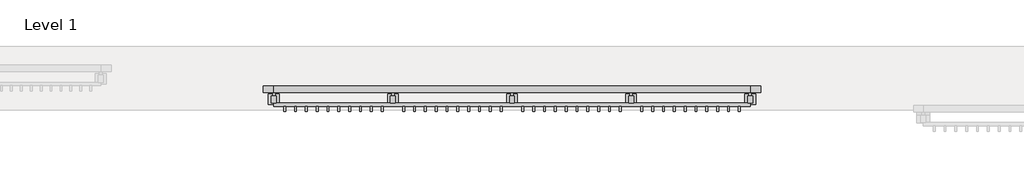
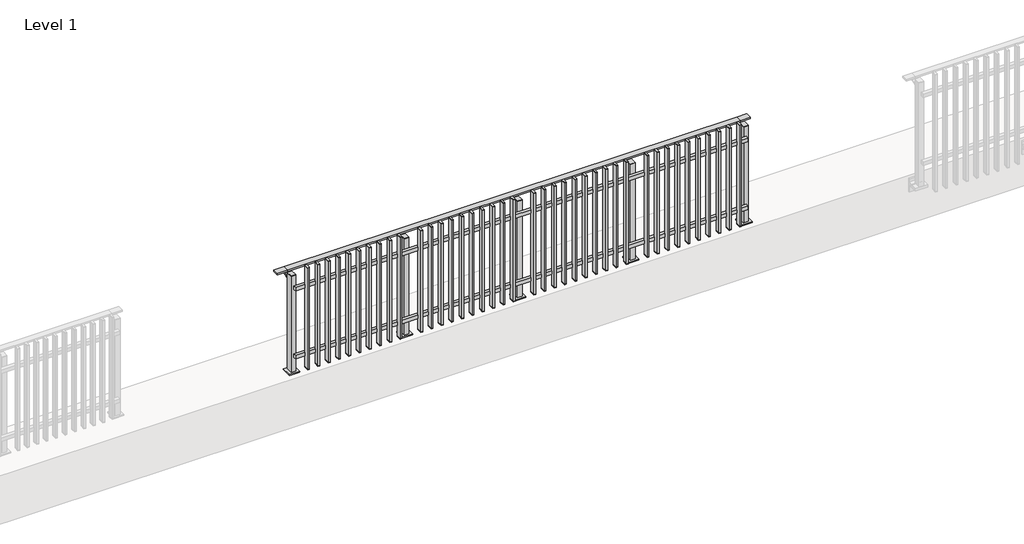
# One storey, part 9 of 17: 1 railing.
"""IFC4 building model written with IfcOpenShell, lengths in millimetres."""

from ifc_helpers import new_model, si_unit, point, frame, frame_2d, origin, origin_with_axes, place, context, project, spatial, polyline, circle_curve, trimmed, segment, composite_curve, outline, extrude, faceted_brep, element, save

model = new_model("IFC4")

# Units and contexts
model_context = context("Model", 3, world=origin())
ifc_project = project(units=[si_unit("LENGTHUNIT", "METRE", prefix="MILLI")], contexts=[model_context])

# Site, building, storey
site = spatial("IfcSite", under=ifc_project)
building = spatial("IfcBuilding", under=site)
storey = spatial("IfcBuildingStorey", under=building, Name="Level 1", Elevation=0.0)

# Railing
placement = place(None, origin())
element("IfcRailing", 1, at=placement, inside=storey, context=model_context, shape_type="SolidModel", body=[
    faceted_brep([(6000.0, 125.1846828, 985.0), (6000.0, 125.1846828, 1000.0), (10400.0, 125.1846828, 1000.0), (10400.0, 125.1846828, 985.0), (6000.0, 65.1846828, 985.0), (10400.0, 65.1846828, 985.0), (6000.0, 65.1846828, 1000.0), (10400.0, 65.1846828, 1000.0), (5900.0, 125.1846828, 1000.0), (5900.0, 125.1846828, 985.0), (5900.0, 65.1846828, 985.0), (5900.0, 65.1846828, 1000.0), (10500.0, 125.1846828, 1000.0), (10500.0, 65.1846828, 1000.0), (10500.0, 65.1846828, 985.0), (10500.0, 125.1846828, 985.0)], [[[0, 1, 2, 3]], [[4, 0, 3, 5]], [[6, 4, 5, 7]], [[1, 6, 7, 2]], [[8, 9, 10, 11]], [[9, 8, 1, 0]], [[10, 9, 0, 4]], [[11, 10, 4, 6]], [[8, 11, 6, 1]], [[12, 13, 14, 15]], [[3, 2, 12, 15]], [[5, 3, 15, 14]], [[7, 5, 14, 13]], [[2, 7, 13, 12]]]),
    extrude(outline(polyline([(6000.0, -67.3153172), (6000.0, -35.3153172), (10400.0, -35.3153172), (10400.0, -67.3153172), (6000.0, -67.3153172)])), frame((0.0, 0.0, 164.0), z_axis=(0.0, 0.0, 1.0), x_axis=(1.0, 0.0, 0.0)), (0.0, 0.0, 1.0), 36.0),
    extrude(outline(polyline([(6000.0, -67.3153172), (6000.0, -35.3153172), (10400.0, -35.3153172), (10400.0, -67.3153172), (6000.0, -67.3153172)])), frame((0.0, 0.0, 864.0), z_axis=(0.0, 0.0, 1.0), x_axis=(1.0, 0.0, 0.0)), (0.0, 0.0, 1.0), 36.0),
    extrude(outline(polyline([(10308.5, -64.3153172), (10308.5, -113.3153172), (10291.5, -113.3153172), (10291.5, -64.3153172), (10308.5, -64.3153172)])), frame((0.0, 0.0, 50.0), z_axis=(0.0, 0.0, 1.0), x_axis=(1.0, 0.0, 0.0)), (0.0, 0.0, 1.0), 5.0),
    extrude(outline(polyline([(10308.5, -64.3153172), (10308.5, -113.3153172), (10291.5, -113.3153172), (10291.5, -64.3153172), (10308.5, -64.3153172)])), frame((0.0, 0.0, 1095.0), z_axis=(0.0, 0.0, 1.0), x_axis=(1.0, 0.0, 0.0)), (0.0, 0.0, 1.0), 5.0),
    extrude(outline(polyline([(10291.5, -113.3153172), (10291.5, -64.3153172), (10308.5, -64.3153172), (10308.5, -113.3153172), (10291.5, -113.3153172)])), frame((0.0, 0.0, 55.0), z_axis=(0.0, 0.0, 1.0), x_axis=(1.0, 0.0, 0.0)), (0.0, 0.0, 1.0), 1040.0),
    extrude(outline(polyline([(10208.5, -64.3153172), (10208.5, -113.3153172), (10191.5, -113.3153172), (10191.5, -64.3153172), (10208.5, -64.3153172)])), frame((0.0, 0.0, 50.0), z_axis=(0.0, 0.0, 1.0), x_axis=(1.0, 0.0, 0.0)), (0.0, 0.0, 1.0), 5.0),
    extrude(outline(polyline([(10208.5, -64.3153172), (10208.5, -113.3153172), (10191.5, -113.3153172), (10191.5, -64.3153172), (10208.5, -64.3153172)])), frame((0.0, 0.0, 1095.0), z_axis=(0.0, 0.0, 1.0), x_axis=(1.0, 0.0, 0.0)), (0.0, 0.0, 1.0), 5.0),
    extrude(outline(polyline([(10191.5, -113.3153172), (10191.5, -64.3153172), (10208.5, -64.3153172), (10208.5, -113.3153172), (10191.5, -113.3153172)])), frame((0.0, 0.0, 55.0), z_axis=(0.0, 0.0, 1.0), x_axis=(1.0, 0.0, 0.0)), (0.0, 0.0, 1.0), 1040.0),
    extrude(outline(polyline([(10108.5, -64.3153172), (10108.5, -113.3153172), (10091.5, -113.3153172), (10091.5, -64.3153172), (10108.5, -64.3153172)])), frame((0.0, 0.0, 50.0), z_axis=(0.0, 0.0, 1.0), x_axis=(1.0, 0.0, 0.0)), (0.0, 0.0, 1.0), 5.0),
    extrude(outline(polyline([(10108.5, -64.3153172), (10108.5, -113.3153172), (10091.5, -113.3153172), (10091.5, -64.3153172), (10108.5, -64.3153172)])), frame((0.0, 0.0, 1095.0), z_axis=(0.0, 0.0, 1.0), x_axis=(1.0, 0.0, 0.0)), (0.0, 0.0, 1.0), 5.0),
    extrude(outline(polyline([(10091.5, -113.3153172), (10091.5, -64.3153172), (10108.5, -64.3153172), (10108.5, -113.3153172), (10091.5, -113.3153172)])), frame((0.0, 0.0, 55.0), z_axis=(0.0, 0.0, 1.0), x_axis=(1.0, 0.0, 0.0)), (0.0, 0.0, 1.0), 1040.0),
    extrude(outline(polyline([(10008.5, -64.3153172), (10008.5, -113.3153172), (9991.5, -113.3153172), (9991.5, -64.3153172), (10008.5, -64.3153172)])), frame((0.0, 0.0, 50.0), z_axis=(0.0, 0.0, 1.0), x_axis=(1.0, 0.0, 0.0)), (0.0, 0.0, 1.0), 5.0),
    extrude(outline(polyline([(10008.5, -64.3153172), (10008.5, -113.3153172), (9991.5, -113.3153172), (9991.5, -64.3153172), (10008.5, -64.3153172)])), frame((0.0, 0.0, 1095.0), z_axis=(0.0, 0.0, 1.0), x_axis=(1.0, 0.0, 0.0)), (0.0, 0.0, 1.0), 5.0),
    extrude(outline(polyline([(9991.5, -113.3153172), (9991.5, -64.3153172), (10008.5, -64.3153172), (10008.5, -113.3153172), (9991.5, -113.3153172)])), frame((0.0, 0.0, 55.0), z_axis=(0.0, 0.0, 1.0), x_axis=(1.0, 0.0, 0.0)), (0.0, 0.0, 1.0), 1040.0),
    extrude(outline(polyline([(9908.5, -64.3153172), (9908.5, -113.3153172), (9891.5, -113.3153172), (9891.5, -64.3153172), (9908.5, -64.3153172)])), frame((0.0, 0.0, 50.0), z_axis=(0.0, 0.0, 1.0), x_axis=(1.0, 0.0, 0.0)), (0.0, 0.0, 1.0), 5.0),
    extrude(outline(polyline([(9908.5, -64.3153172), (9908.5, -113.3153172), (9891.5, -113.3153172), (9891.5, -64.3153172), (9908.5, -64.3153172)])), frame((0.0, 0.0, 1095.0), z_axis=(0.0, 0.0, 1.0), x_axis=(1.0, 0.0, 0.0)), (0.0, 0.0, 1.0), 5.0),
    extrude(outline(polyline([(9891.5, -113.3153172), (9891.5, -64.3153172), (9908.5, -64.3153172), (9908.5, -113.3153172), (9891.5, -113.3153172)])), frame((0.0, 0.0, 55.0), z_axis=(0.0, 0.0, 1.0), x_axis=(1.0, 0.0, 0.0)), (0.0, 0.0, 1.0), 1040.0),
    extrude(outline(polyline([(9808.5, -64.3153172), (9808.5, -113.3153172), (9791.5, -113.3153172), (9791.5, -64.3153172), (9808.5, -64.3153172)])), frame((0.0, 0.0, 50.0), z_axis=(0.0, 0.0, 1.0), x_axis=(1.0, 0.0, 0.0)), (0.0, 0.0, 1.0), 5.0),
    extrude(outline(polyline([(9808.5, -64.3153172), (9808.5, -113.3153172), (9791.5, -113.3153172), (9791.5, -64.3153172), (9808.5, -64.3153172)])), frame((0.0, 0.0, 1095.0), z_axis=(0.0, 0.0, 1.0), x_axis=(1.0, 0.0, 0.0)), (0.0, 0.0, 1.0), 5.0),
    extrude(outline(polyline([(9791.5, -113.3153172), (9791.5, -64.3153172), (9808.5, -64.3153172), (9808.5, -113.3153172), (9791.5, -113.3153172)])), frame((0.0, 0.0, 55.0), z_axis=(0.0, 0.0, 1.0), x_axis=(1.0, 0.0, 0.0)), (0.0, 0.0, 1.0), 1040.0),
    extrude(outline(polyline([(9708.5, -64.3153172), (9708.5, -113.3153172), (9691.5, -113.3153172), (9691.5, -64.3153172), (9708.5, -64.3153172)])), frame((0.0, 0.0, 50.0), z_axis=(0.0, 0.0, 1.0), x_axis=(1.0, 0.0, 0.0)), (0.0, 0.0, 1.0), 5.0),
    extrude(outline(polyline([(9708.5, -64.3153172), (9708.5, -113.3153172), (9691.5, -113.3153172), (9691.5, -64.3153172), (9708.5, -64.3153172)])), frame((0.0, 0.0, 1095.0), z_axis=(0.0, 0.0, 1.0), x_axis=(1.0, 0.0, 0.0)), (0.0, 0.0, 1.0), 5.0),
    extrude(outline(polyline([(9691.5, -113.3153172), (9691.5, -64.3153172), (9708.5, -64.3153172), (9708.5, -113.3153172), (9691.5, -113.3153172)])), frame((0.0, 0.0, 55.0), z_axis=(0.0, 0.0, 1.0), x_axis=(1.0, 0.0, 0.0)), (0.0, 0.0, 1.0), 1040.0),
    extrude(outline(polyline([(9608.5, -64.3153172), (9608.5, -113.3153172), (9591.5, -113.3153172), (9591.5, -64.3153172), (9608.5, -64.3153172)])), frame((0.0, 0.0, 50.0), z_axis=(0.0, 0.0, 1.0), x_axis=(1.0, 0.0, 0.0)), (0.0, 0.0, 1.0), 5.0),
    extrude(outline(polyline([(9608.5, -64.3153172), (9608.5, -113.3153172), (9591.5, -113.3153172), (9591.5, -64.3153172), (9608.5, -64.3153172)])), frame((0.0, 0.0, 1095.0), z_axis=(0.0, 0.0, 1.0), x_axis=(1.0, 0.0, 0.0)), (0.0, 0.0, 1.0), 5.0),
    extrude(outline(polyline([(9591.5, -113.3153172), (9591.5, -64.3153172), (9608.5, -64.3153172), (9608.5, -113.3153172), (9591.5, -113.3153172)])), frame((0.0, 0.0, 55.0), z_axis=(0.0, 0.0, 1.0), x_axis=(1.0, 0.0, 0.0)), (0.0, 0.0, 1.0), 1040.0),
    extrude(outline(polyline([(9508.5, -64.3153172), (9508.5, -113.3153172), (9491.5, -113.3153172), (9491.5, -64.3153172), (9508.5, -64.3153172)])), frame((0.0, 0.0, 50.0), z_axis=(0.0, 0.0, 1.0), x_axis=(1.0, 0.0, 0.0)), (0.0, 0.0, 1.0), 5.0),
    extrude(outline(polyline([(9508.5, -64.3153172), (9508.5, -113.3153172), (9491.5, -113.3153172), (9491.5, -64.3153172), (9508.5, -64.3153172)])), frame((0.0, 0.0, 1095.0), z_axis=(0.0, 0.0, 1.0), x_axis=(1.0, 0.0, 0.0)), (0.0, 0.0, 1.0), 5.0),
    extrude(outline(polyline([(9491.5, -113.3153172), (9491.5, -64.3153172), (9508.5, -64.3153172), (9508.5, -113.3153172), (9491.5, -113.3153172)])), frame((0.0, 0.0, 55.0), z_axis=(0.0, 0.0, 1.0), x_axis=(1.0, 0.0, 0.0)), (0.0, 0.0, 1.0), 1040.0),
    extrude(outline(polyline([(9408.5, -64.3153172), (9408.5, -113.3153172), (9391.5, -113.3153172), (9391.5, -64.3153172), (9408.5, -64.3153172)])), frame((0.0, 0.0, 50.0), z_axis=(0.0, 0.0, 1.0), x_axis=(1.0, 0.0, 0.0)), (0.0, 0.0, 1.0), 5.0),
    extrude(outline(polyline([(9408.5, -64.3153172), (9408.5, -113.3153172), (9391.5, -113.3153172), (9391.5, -64.3153172), (9408.5, -64.3153172)])), frame((0.0, 0.0, 1095.0), z_axis=(0.0, 0.0, 1.0), x_axis=(1.0, 0.0, 0.0)), (0.0, 0.0, 1.0), 5.0),
    extrude(outline(polyline([(9391.5, -113.3153172), (9391.5, -64.3153172), (9408.5, -64.3153172), (9408.5, -113.3153172), (9391.5, -113.3153172)])), frame((0.0, 0.0, 55.0), z_axis=(0.0, 0.0, 1.0), x_axis=(1.0, 0.0, 0.0)), (0.0, 0.0, 1.0), 1040.0),
    extrude(outline(composite_curve([segment(polyline([(120.6846828, 985.0), (120.6846828, 960.900037)]), True, "CONTINUOUS"), segment(trimmed(circle_curve(frame_2d((110.6846828, 960.900037)), 10.0), [point((120.6846828, 960.900037))], [point((113.2728733, 951.2407787))], False, "CARTESIAN"), True, "CONTINUOUS"), segment(polyline([(113.2728733, 951.2407787), (56.2244733, 935.9547061)]), True, "CONTINUOUS"), segment(trimmed(circle_curve(frame_2d((58.8126638, 926.2954478)), 10.0), [point((56.2244733, 935.9547061))], [point((48.8982152, 927.6007097))], True, "CARTESIAN"), True, "CONTINUOUS"), segment(polyline([(48.8982152, 927.6007097), (44.291393, 892.6084214)]), True, "CONTINUOUS"), segment(trimmed(circle_curve(frame_2d((41.3170584, 893.0)), 3.0), [point((44.291393, 892.6084214))], [point((41.3170584, 890.0))], False, "CARTESIAN"), True, "CONTINUOUS"), segment(polyline([(41.3170584, 890.0), (32.6846828, 890.0), (32.6846828, 940.0), (96.6846828, 957.1487483), (96.6846828, 985.0), (120.6846828, 985.0)]), True, "CONTINUOUS")], self_intersect=False)), frame((9287.5, 0.0, 0.0), z_axis=(1.0, 0.0, 0.0), x_axis=(0.0, 1.0, 0.0)), (0.0, 0.0, 1.0), 25.0),
    extrude(outline(polyline([(9322.5, 32.6846828), (9322.5, -32.3153172), (9277.5, -32.3153172), (9277.5, 32.6846828), (9322.5, 32.6846828)])), frame((0.0, 0.0, 1000.0), z_axis=(0.0, 0.0, 1.0), x_axis=(1.0, 0.0, 0.0)), (0.0, 0.0, 1.0), 5.0),
    extrude(outline(polyline([(9350.0, 50.1846828), (9350.0, -49.8153172), (9250.0, -49.8153172), (9250.0, 50.1846828), (9350.0, 50.1846828)])), origin_with_axes(), (0.0, 0.0, 1.0), 12.0),
    extrude(outline(polyline([(9322.5, 32.6846828), (9322.5, -32.3153172), (9277.5, -32.3153172), (9277.5, 32.6846828), (9322.5, 32.6846828)])), frame((0.0, 0.0, 12.0), z_axis=(0.0, 0.0, 1.0), x_axis=(1.0, 0.0, 0.0)), (0.0, 0.0, 1.0), 988.0),
    extrude(outline(polyline([(9208.5, -64.3153172), (9208.5, -113.3153172), (9191.5, -113.3153172), (9191.5, -64.3153172), (9208.5, -64.3153172)])), frame((0.0, 0.0, 50.0), z_axis=(0.0, 0.0, 1.0), x_axis=(1.0, 0.0, 0.0)), (0.0, 0.0, 1.0), 5.0),
    extrude(outline(polyline([(9208.5, -64.3153172), (9208.5, -113.3153172), (9191.5, -113.3153172), (9191.5, -64.3153172), (9208.5, -64.3153172)])), frame((0.0, 0.0, 1095.0), z_axis=(0.0, 0.0, 1.0), x_axis=(1.0, 0.0, 0.0)), (0.0, 0.0, 1.0), 5.0),
    extrude(outline(polyline([(9191.5, -113.3153172), (9191.5, -64.3153172), (9208.5, -64.3153172), (9208.5, -113.3153172), (9191.5, -113.3153172)])), frame((0.0, 0.0, 55.0), z_axis=(0.0, 0.0, 1.0), x_axis=(1.0, 0.0, 0.0)), (0.0, 0.0, 1.0), 1040.0),
    extrude(outline(polyline([(9108.5, -64.3153172), (9108.5, -113.3153172), (9091.5, -113.3153172), (9091.5, -64.3153172), (9108.5, -64.3153172)])), frame((0.0, 0.0, 50.0), z_axis=(0.0, 0.0, 1.0), x_axis=(1.0, 0.0, 0.0)), (0.0, 0.0, 1.0), 5.0),
    extrude(outline(polyline([(9108.5, -64.3153172), (9108.5, -113.3153172), (9091.5, -113.3153172), (9091.5, -64.3153172), (9108.5, -64.3153172)])), frame((0.0, 0.0, 1095.0), z_axis=(0.0, 0.0, 1.0), x_axis=(1.0, 0.0, 0.0)), (0.0, 0.0, 1.0), 5.0),
    extrude(outline(polyline([(9091.5, -113.3153172), (9091.5, -64.3153172), (9108.5, -64.3153172), (9108.5, -113.3153172), (9091.5, -113.3153172)])), frame((0.0, 0.0, 55.0), z_axis=(0.0, 0.0, 1.0), x_axis=(1.0, 0.0, 0.0)), (0.0, 0.0, 1.0), 1040.0),
    extrude(outline(polyline([(9008.5, -64.3153172), (9008.5, -113.3153172), (8991.5, -113.3153172), (8991.5, -64.3153172), (9008.5, -64.3153172)])), frame((0.0, 0.0, 50.0), z_axis=(0.0, 0.0, 1.0), x_axis=(1.0, 0.0, 0.0)), (0.0, 0.0, 1.0), 5.0),
    extrude(outline(polyline([(9008.5, -64.3153172), (9008.5, -113.3153172), (8991.5, -113.3153172), (8991.5, -64.3153172), (9008.5, -64.3153172)])), frame((0.0, 0.0, 1095.0), z_axis=(0.0, 0.0, 1.0), x_axis=(1.0, 0.0, 0.0)), (0.0, 0.0, 1.0), 5.0),
    extrude(outline(polyline([(8991.5, -113.3153172), (8991.5, -64.3153172), (9008.5, -64.3153172), (9008.5, -113.3153172), (8991.5, -113.3153172)])), frame((0.0, 0.0, 55.0), z_axis=(0.0, 0.0, 1.0), x_axis=(1.0, 0.0, 0.0)), (0.0, 0.0, 1.0), 1040.0),
    extrude(outline(polyline([(8908.5, -64.3153172), (8908.5, -113.3153172), (8891.5, -113.3153172), (8891.5, -64.3153172), (8908.5, -64.3153172)])), frame((0.0, 0.0, 50.0), z_axis=(0.0, 0.0, 1.0), x_axis=(1.0, 0.0, 0.0)), (0.0, 0.0, 1.0), 5.0),
    extrude(outline(polyline([(8908.5, -64.3153172), (8908.5, -113.3153172), (8891.5, -113.3153172), (8891.5, -64.3153172), (8908.5, -64.3153172)])), frame((0.0, 0.0, 1095.0), z_axis=(0.0, 0.0, 1.0), x_axis=(1.0, 0.0, 0.0)), (0.0, 0.0, 1.0), 5.0),
    extrude(outline(polyline([(8891.5, -113.3153172), (8891.5, -64.3153172), (8908.5, -64.3153172), (8908.5, -113.3153172), (8891.5, -113.3153172)])), frame((0.0, 0.0, 55.0), z_axis=(0.0, 0.0, 1.0), x_axis=(1.0, 0.0, 0.0)), (0.0, 0.0, 1.0), 1040.0),
    extrude(outline(polyline([(8808.5, -64.3153172), (8808.5, -113.3153172), (8791.5, -113.3153172), (8791.5, -64.3153172), (8808.5, -64.3153172)])), frame((0.0, 0.0, 50.0), z_axis=(0.0, 0.0, 1.0), x_axis=(1.0, 0.0, 0.0)), (0.0, 0.0, 1.0), 5.0),
    extrude(outline(polyline([(8808.5, -64.3153172), (8808.5, -113.3153172), (8791.5, -113.3153172), (8791.5, -64.3153172), (8808.5, -64.3153172)])), frame((0.0, 0.0, 1095.0), z_axis=(0.0, 0.0, 1.0), x_axis=(1.0, 0.0, 0.0)), (0.0, 0.0, 1.0), 5.0),
    extrude(outline(polyline([(8791.5, -113.3153172), (8791.5, -64.3153172), (8808.5, -64.3153172), (8808.5, -113.3153172), (8791.5, -113.3153172)])), frame((0.0, 0.0, 55.0), z_axis=(0.0, 0.0, 1.0), x_axis=(1.0, 0.0, 0.0)), (0.0, 0.0, 1.0), 1040.0),
    extrude(outline(polyline([(8708.5, -64.3153172), (8708.5, -113.3153172), (8691.5, -113.3153172), (8691.5, -64.3153172), (8708.5, -64.3153172)])), frame((0.0, 0.0, 50.0), z_axis=(0.0, 0.0, 1.0), x_axis=(1.0, 0.0, 0.0)), (0.0, 0.0, 1.0), 5.0),
    extrude(outline(polyline([(8708.5, -64.3153172), (8708.5, -113.3153172), (8691.5, -113.3153172), (8691.5, -64.3153172), (8708.5, -64.3153172)])), frame((0.0, 0.0, 1095.0), z_axis=(0.0, 0.0, 1.0), x_axis=(1.0, 0.0, 0.0)), (0.0, 0.0, 1.0), 5.0),
    extrude(outline(polyline([(8691.5, -113.3153172), (8691.5, -64.3153172), (8708.5, -64.3153172), (8708.5, -113.3153172), (8691.5, -113.3153172)])), frame((0.0, 0.0, 55.0), z_axis=(0.0, 0.0, 1.0), x_axis=(1.0, 0.0, 0.0)), (0.0, 0.0, 1.0), 1040.0),
    extrude(outline(polyline([(8608.5, -64.3153172), (8608.5, -113.3153172), (8591.5, -113.3153172), (8591.5, -64.3153172), (8608.5, -64.3153172)])), frame((0.0, 0.0, 50.0), z_axis=(0.0, 0.0, 1.0), x_axis=(1.0, 0.0, 0.0)), (0.0, 0.0, 1.0), 5.0),
    extrude(outline(polyline([(8608.5, -64.3153172), (8608.5, -113.3153172), (8591.5, -113.3153172), (8591.5, -64.3153172), (8608.5, -64.3153172)])), frame((0.0, 0.0, 1095.0), z_axis=(0.0, 0.0, 1.0), x_axis=(1.0, 0.0, 0.0)), (0.0, 0.0, 1.0), 5.0),
    extrude(outline(polyline([(8591.5, -113.3153172), (8591.5, -64.3153172), (8608.5, -64.3153172), (8608.5, -113.3153172), (8591.5, -113.3153172)])), frame((0.0, 0.0, 55.0), z_axis=(0.0, 0.0, 1.0), x_axis=(1.0, 0.0, 0.0)), (0.0, 0.0, 1.0), 1040.0),
    extrude(outline(polyline([(8508.5, -64.3153172), (8508.5, -113.3153172), (8491.5, -113.3153172), (8491.5, -64.3153172), (8508.5, -64.3153172)])), frame((0.0, 0.0, 50.0), z_axis=(0.0, 0.0, 1.0), x_axis=(1.0, 0.0, 0.0)), (0.0, 0.0, 1.0), 5.0),
    extrude(outline(polyline([(8508.5, -64.3153172), (8508.5, -113.3153172), (8491.5, -113.3153172), (8491.5, -64.3153172), (8508.5, -64.3153172)])), frame((0.0, 0.0, 1095.0), z_axis=(0.0, 0.0, 1.0), x_axis=(1.0, 0.0, 0.0)), (0.0, 0.0, 1.0), 5.0),
    extrude(outline(polyline([(8491.5, -113.3153172), (8491.5, -64.3153172), (8508.5, -64.3153172), (8508.5, -113.3153172), (8491.5, -113.3153172)])), frame((0.0, 0.0, 55.0), z_axis=(0.0, 0.0, 1.0), x_axis=(1.0, 0.0, 0.0)), (0.0, 0.0, 1.0), 1040.0),
    extrude(outline(polyline([(8408.5, -64.3153172), (8408.5, -113.3153172), (8391.5, -113.3153172), (8391.5, -64.3153172), (8408.5, -64.3153172)])), frame((0.0, 0.0, 50.0), z_axis=(0.0, 0.0, 1.0), x_axis=(1.0, 0.0, 0.0)), (0.0, 0.0, 1.0), 5.0),
    extrude(outline(polyline([(8408.5, -64.3153172), (8408.5, -113.3153172), (8391.5, -113.3153172), (8391.5, -64.3153172), (8408.5, -64.3153172)])), frame((0.0, 0.0, 1095.0), z_axis=(0.0, 0.0, 1.0), x_axis=(1.0, 0.0, 0.0)), (0.0, 0.0, 1.0), 5.0),
    extrude(outline(polyline([(8391.5, -113.3153172), (8391.5, -64.3153172), (8408.5, -64.3153172), (8408.5, -113.3153172), (8391.5, -113.3153172)])), frame((0.0, 0.0, 55.0), z_axis=(0.0, 0.0, 1.0), x_axis=(1.0, 0.0, 0.0)), (0.0, 0.0, 1.0), 1040.0),
    extrude(outline(polyline([(8308.5, -64.3153172), (8308.5, -113.3153172), (8291.5, -113.3153172), (8291.5, -64.3153172), (8308.5, -64.3153172)])), frame((0.0, 0.0, 50.0), z_axis=(0.0, 0.0, 1.0), x_axis=(1.0, 0.0, 0.0)), (0.0, 0.0, 1.0), 5.0),
    extrude(outline(polyline([(8308.5, -64.3153172), (8308.5, -113.3153172), (8291.5, -113.3153172), (8291.5, -64.3153172), (8308.5, -64.3153172)])), frame((0.0, 0.0, 1095.0), z_axis=(0.0, 0.0, 1.0), x_axis=(1.0, 0.0, 0.0)), (0.0, 0.0, 1.0), 5.0),
    extrude(outline(polyline([(8291.5, -113.3153172), (8291.5, -64.3153172), (8308.5, -64.3153172), (8308.5, -113.3153172), (8291.5, -113.3153172)])), frame((0.0, 0.0, 55.0), z_axis=(0.0, 0.0, 1.0), x_axis=(1.0, 0.0, 0.0)), (0.0, 0.0, 1.0), 1040.0),
    extrude(outline(composite_curve([segment(polyline([(120.6846828, 985.0), (120.6846828, 960.900037)]), True, "CONTINUOUS"), segment(trimmed(circle_curve(frame_2d((110.6846828, 960.900037)), 10.0), [point((120.6846828, 960.900037))], [point((113.2728733, 951.2407787))], False, "CARTESIAN"), True, "CONTINUOUS"), segment(polyline([(113.2728733, 951.2407787), (56.2244733, 935.9547061)]), True, "CONTINUOUS"), segment(trimmed(circle_curve(frame_2d((58.8126638, 926.2954478)), 10.0), [point((56.2244733, 935.9547061))], [point((48.8982152, 927.6007097))], True, "CARTESIAN"), True, "CONTINUOUS"), segment(polyline([(48.8982152, 927.6007097), (44.291393, 892.6084214)]), True, "CONTINUOUS"), segment(trimmed(circle_curve(frame_2d((41.3170584, 893.0)), 3.0), [point((44.291393, 892.6084214))], [point((41.3170584, 890.0))], False, "CARTESIAN"), True, "CONTINUOUS"), segment(polyline([(41.3170584, 890.0), (32.6846828, 890.0), (32.6846828, 940.0), (96.6846828, 957.1487483), (96.6846828, 985.0), (120.6846828, 985.0)]), True, "CONTINUOUS")], self_intersect=False)), frame((8187.5, 0.0, 0.0), z_axis=(1.0, 0.0, 0.0), x_axis=(0.0, 1.0, 0.0)), (0.0, 0.0, 1.0), 25.0),
    extrude(outline(polyline([(8222.5, 32.6846828), (8222.5, -32.3153172), (8177.5, -32.3153172), (8177.5, 32.6846828), (8222.5, 32.6846828)])), frame((0.0, 0.0, 1000.0), z_axis=(0.0, 0.0, 1.0), x_axis=(1.0, 0.0, 0.0)), (0.0, 0.0, 1.0), 5.0),
    extrude(outline(polyline([(8250.0, 50.1846828), (8250.0, -49.8153172), (8150.0, -49.8153172), (8150.0, 50.1846828), (8250.0, 50.1846828)])), origin_with_axes(), (0.0, 0.0, 1.0), 12.0),
    extrude(outline(polyline([(8222.5, 32.6846828), (8222.5, -32.3153172), (8177.5, -32.3153172), (8177.5, 32.6846828), (8222.5, 32.6846828)])), frame((0.0, 0.0, 12.0), z_axis=(0.0, 0.0, 1.0), x_axis=(1.0, 0.0, 0.0)), (0.0, 0.0, 1.0), 988.0),
    extrude(outline(polyline([(8108.5, -64.3153172), (8108.5, -113.3153172), (8091.5, -113.3153172), (8091.5, -64.3153172), (8108.5, -64.3153172)])), frame((0.0, 0.0, 50.0), z_axis=(0.0, 0.0, 1.0), x_axis=(1.0, 0.0, 0.0)), (0.0, 0.0, 1.0), 5.0),
    extrude(outline(polyline([(8108.5, -64.3153172), (8108.5, -113.3153172), (8091.5, -113.3153172), (8091.5, -64.3153172), (8108.5, -64.3153172)])), frame((0.0, 0.0, 1095.0), z_axis=(0.0, 0.0, 1.0), x_axis=(1.0, 0.0, 0.0)), (0.0, 0.0, 1.0), 5.0),
    extrude(outline(polyline([(8091.5, -113.3153172), (8091.5, -64.3153172), (8108.5, -64.3153172), (8108.5, -113.3153172), (8091.5, -113.3153172)])), frame((0.0, 0.0, 55.0), z_axis=(0.0, 0.0, 1.0), x_axis=(1.0, 0.0, 0.0)), (0.0, 0.0, 1.0), 1040.0),
    extrude(outline(polyline([(8008.5, -64.3153172), (8008.5, -113.3153172), (7991.5, -113.3153172), (7991.5, -64.3153172), (8008.5, -64.3153172)])), frame((0.0, 0.0, 50.0), z_axis=(0.0, 0.0, 1.0), x_axis=(1.0, 0.0, 0.0)), (0.0, 0.0, 1.0), 5.0),
    extrude(outline(polyline([(8008.5, -64.3153172), (8008.5, -113.3153172), (7991.5, -113.3153172), (7991.5, -64.3153172), (8008.5, -64.3153172)])), frame((0.0, 0.0, 1095.0), z_axis=(0.0, 0.0, 1.0), x_axis=(1.0, 0.0, 0.0)), (0.0, 0.0, 1.0), 5.0),
    extrude(outline(polyline([(7991.5, -113.3153172), (7991.5, -64.3153172), (8008.5, -64.3153172), (8008.5, -113.3153172), (7991.5, -113.3153172)])), frame((0.0, 0.0, 55.0), z_axis=(0.0, 0.0, 1.0), x_axis=(1.0, 0.0, 0.0)), (0.0, 0.0, 1.0), 1040.0),
    extrude(outline(polyline([(7908.5, -64.3153172), (7908.5, -113.3153172), (7891.5, -113.3153172), (7891.5, -64.3153172), (7908.5, -64.3153172)])), frame((0.0, 0.0, 50.0), z_axis=(0.0, 0.0, 1.0), x_axis=(1.0, 0.0, 0.0)), (0.0, 0.0, 1.0), 5.0),
    extrude(outline(polyline([(7908.5, -64.3153172), (7908.5, -113.3153172), (7891.5, -113.3153172), (7891.5, -64.3153172), (7908.5, -64.3153172)])), frame((0.0, 0.0, 1095.0), z_axis=(0.0, 0.0, 1.0), x_axis=(1.0, 0.0, 0.0)), (0.0, 0.0, 1.0), 5.0),
    extrude(outline(polyline([(7891.5, -113.3153172), (7891.5, -64.3153172), (7908.5, -64.3153172), (7908.5, -113.3153172), (7891.5, -113.3153172)])), frame((0.0, 0.0, 55.0), z_axis=(0.0, 0.0, 1.0), x_axis=(1.0, 0.0, 0.0)), (0.0, 0.0, 1.0), 1040.0),
    extrude(outline(polyline([(7808.5, -64.3153172), (7808.5, -113.3153172), (7791.5, -113.3153172), (7791.5, -64.3153172), (7808.5, -64.3153172)])), frame((0.0, 0.0, 50.0), z_axis=(0.0, 0.0, 1.0), x_axis=(1.0, 0.0, 0.0)), (0.0, 0.0, 1.0), 5.0),
    extrude(outline(polyline([(7808.5, -64.3153172), (7808.5, -113.3153172), (7791.5, -113.3153172), (7791.5, -64.3153172), (7808.5, -64.3153172)])), frame((0.0, 0.0, 1095.0), z_axis=(0.0, 0.0, 1.0), x_axis=(1.0, 0.0, 0.0)), (0.0, 0.0, 1.0), 5.0),
    extrude(outline(polyline([(7791.5, -113.3153172), (7791.5, -64.3153172), (7808.5, -64.3153172), (7808.5, -113.3153172), (7791.5, -113.3153172)])), frame((0.0, 0.0, 55.0), z_axis=(0.0, 0.0, 1.0), x_axis=(1.0, 0.0, 0.0)), (0.0, 0.0, 1.0), 1040.0),
    extrude(outline(polyline([(7708.5, -64.3153172), (7708.5, -113.3153172), (7691.5, -113.3153172), (7691.5, -64.3153172), (7708.5, -64.3153172)])), frame((0.0, 0.0, 50.0), z_axis=(0.0, 0.0, 1.0), x_axis=(1.0, 0.0, 0.0)), (0.0, 0.0, 1.0), 5.0),
    extrude(outline(polyline([(7708.5, -64.3153172), (7708.5, -113.3153172), (7691.5, -113.3153172), (7691.5, -64.3153172), (7708.5, -64.3153172)])), frame((0.0, 0.0, 1095.0), z_axis=(0.0, 0.0, 1.0), x_axis=(1.0, 0.0, 0.0)), (0.0, 0.0, 1.0), 5.0),
    extrude(outline(polyline([(7691.5, -113.3153172), (7691.5, -64.3153172), (7708.5, -64.3153172), (7708.5, -113.3153172), (7691.5, -113.3153172)])), frame((0.0, 0.0, 55.0), z_axis=(0.0, 0.0, 1.0), x_axis=(1.0, 0.0, 0.0)), (0.0, 0.0, 1.0), 1040.0),
    extrude(outline(polyline([(7608.5, -64.3153172), (7608.5, -113.3153172), (7591.5, -113.3153172), (7591.5, -64.3153172), (7608.5, -64.3153172)])), frame((0.0, 0.0, 50.0), z_axis=(0.0, 0.0, 1.0), x_axis=(1.0, 0.0, 0.0)), (0.0, 0.0, 1.0), 5.0),
    extrude(outline(polyline([(7608.5, -64.3153172), (7608.5, -113.3153172), (7591.5, -113.3153172), (7591.5, -64.3153172), (7608.5, -64.3153172)])), frame((0.0, 0.0, 1095.0), z_axis=(0.0, 0.0, 1.0), x_axis=(1.0, 0.0, 0.0)), (0.0, 0.0, 1.0), 5.0),
    extrude(outline(polyline([(7591.5, -113.3153172), (7591.5, -64.3153172), (7608.5, -64.3153172), (7608.5, -113.3153172), (7591.5, -113.3153172)])), frame((0.0, 0.0, 55.0), z_axis=(0.0, 0.0, 1.0), x_axis=(1.0, 0.0, 0.0)), (0.0, 0.0, 1.0), 1040.0),
    extrude(outline(polyline([(7508.5, -64.3153172), (7508.5, -113.3153172), (7491.5, -113.3153172), (7491.5, -64.3153172), (7508.5, -64.3153172)])), frame((0.0, 0.0, 50.0), z_axis=(0.0, 0.0, 1.0), x_axis=(1.0, 0.0, 0.0)), (0.0, 0.0, 1.0), 5.0),
    extrude(outline(polyline([(7508.5, -64.3153172), (7508.5, -113.3153172), (7491.5, -113.3153172), (7491.5, -64.3153172), (7508.5, -64.3153172)])), frame((0.0, 0.0, 1095.0), z_axis=(0.0, 0.0, 1.0), x_axis=(1.0, 0.0, 0.0)), (0.0, 0.0, 1.0), 5.0),
    extrude(outline(polyline([(7491.5, -113.3153172), (7491.5, -64.3153172), (7508.5, -64.3153172), (7508.5, -113.3153172), (7491.5, -113.3153172)])), frame((0.0, 0.0, 55.0), z_axis=(0.0, 0.0, 1.0), x_axis=(1.0, 0.0, 0.0)), (0.0, 0.0, 1.0), 1040.0),
    extrude(outline(polyline([(7408.5, -64.3153172), (7408.5, -113.3153172), (7391.5, -113.3153172), (7391.5, -64.3153172), (7408.5, -64.3153172)])), frame((0.0, 0.0, 50.0), z_axis=(0.0, 0.0, 1.0), x_axis=(1.0, 0.0, 0.0)), (0.0, 0.0, 1.0), 5.0),
    extrude(outline(polyline([(7408.5, -64.3153172), (7408.5, -113.3153172), (7391.5, -113.3153172), (7391.5, -64.3153172), (7408.5, -64.3153172)])), frame((0.0, 0.0, 1095.0), z_axis=(0.0, 0.0, 1.0), x_axis=(1.0, 0.0, 0.0)), (0.0, 0.0, 1.0), 5.0),
    extrude(outline(polyline([(7391.5, -113.3153172), (7391.5, -64.3153172), (7408.5, -64.3153172), (7408.5, -113.3153172), (7391.5, -113.3153172)])), frame((0.0, 0.0, 55.0), z_axis=(0.0, 0.0, 1.0), x_axis=(1.0, 0.0, 0.0)), (0.0, 0.0, 1.0), 1040.0),
    extrude(outline(polyline([(7308.5, -64.3153172), (7308.5, -113.3153172), (7291.5, -113.3153172), (7291.5, -64.3153172), (7308.5, -64.3153172)])), frame((0.0, 0.0, 50.0), z_axis=(0.0, 0.0, 1.0), x_axis=(1.0, 0.0, 0.0)), (0.0, 0.0, 1.0), 5.0),
    extrude(outline(polyline([(7308.5, -64.3153172), (7308.5, -113.3153172), (7291.5, -113.3153172), (7291.5, -64.3153172), (7308.5, -64.3153172)])), frame((0.0, 0.0, 1095.0), z_axis=(0.0, 0.0, 1.0), x_axis=(1.0, 0.0, 0.0)), (0.0, 0.0, 1.0), 5.0),
    extrude(outline(polyline([(7291.5, -113.3153172), (7291.5, -64.3153172), (7308.5, -64.3153172), (7308.5, -113.3153172), (7291.5, -113.3153172)])), frame((0.0, 0.0, 55.0), z_axis=(0.0, 0.0, 1.0), x_axis=(1.0, 0.0, 0.0)), (0.0, 0.0, 1.0), 1040.0),
    extrude(outline(polyline([(7208.5, -64.3153172), (7208.5, -113.3153172), (7191.5, -113.3153172), (7191.5, -64.3153172), (7208.5, -64.3153172)])), frame((0.0, 0.0, 50.0), z_axis=(0.0, 0.0, 1.0), x_axis=(1.0, 0.0, 0.0)), (0.0, 0.0, 1.0), 5.0),
    extrude(outline(polyline([(7208.5, -64.3153172), (7208.5, -113.3153172), (7191.5, -113.3153172), (7191.5, -64.3153172), (7208.5, -64.3153172)])), frame((0.0, 0.0, 1095.0), z_axis=(0.0, 0.0, 1.0), x_axis=(1.0, 0.0, 0.0)), (0.0, 0.0, 1.0), 5.0),
    extrude(outline(polyline([(7191.5, -113.3153172), (7191.5, -64.3153172), (7208.5, -64.3153172), (7208.5, -113.3153172), (7191.5, -113.3153172)])), frame((0.0, 0.0, 55.0), z_axis=(0.0, 0.0, 1.0), x_axis=(1.0, 0.0, 0.0)), (0.0, 0.0, 1.0), 1040.0),
    extrude(outline(composite_curve([segment(polyline([(120.6846828, 985.0), (120.6846828, 960.900037)]), True, "CONTINUOUS"), segment(trimmed(circle_curve(frame_2d((110.6846828, 960.900037)), 10.0), [point((120.6846828, 960.900037))], [point((113.2728733, 951.2407787))], False, "CARTESIAN"), True, "CONTINUOUS"), segment(polyline([(113.2728733, 951.2407787), (56.2244733, 935.9547061)]), True, "CONTINUOUS"), segment(trimmed(circle_curve(frame_2d((58.8126638, 926.2954478)), 10.0), [point((56.2244733, 935.9547061))], [point((48.8982152, 927.6007097))], True, "CARTESIAN"), True, "CONTINUOUS"), segment(polyline([(48.8982152, 927.6007097), (44.291393, 892.6084214)]), True, "CONTINUOUS"), segment(trimmed(circle_curve(frame_2d((41.3170584, 893.0)), 3.0), [point((44.291393, 892.6084214))], [point((41.3170584, 890.0))], False, "CARTESIAN"), True, "CONTINUOUS"), segment(polyline([(41.3170584, 890.0), (32.6846828, 890.0), (32.6846828, 940.0), (96.6846828, 957.1487483), (96.6846828, 985.0), (120.6846828, 985.0)]), True, "CONTINUOUS")], self_intersect=False)), frame((7087.5, 0.0, 0.0), z_axis=(1.0, 0.0, 0.0), x_axis=(0.0, 1.0, 0.0)), (0.0, 0.0, 1.0), 25.0),
    extrude(outline(polyline([(7122.5, 32.6846828), (7122.5, -32.3153172), (7077.5, -32.3153172), (7077.5, 32.6846828), (7122.5, 32.6846828)])), frame((0.0, 0.0, 1000.0), z_axis=(0.0, 0.0, 1.0), x_axis=(1.0, 0.0, 0.0)), (0.0, 0.0, 1.0), 5.0),
    extrude(outline(polyline([(7150.0, 50.1846828), (7150.0, -49.8153172), (7050.0, -49.8153172), (7050.0, 50.1846828), (7150.0, 50.1846828)])), origin_with_axes(), (0.0, 0.0, 1.0), 12.0),
    extrude(outline(polyline([(7122.5, 32.6846828), (7122.5, -32.3153172), (7077.5, -32.3153172), (7077.5, 32.6846828), (7122.5, 32.6846828)])), frame((0.0, 0.0, 12.0), z_axis=(0.0, 0.0, 1.0), x_axis=(1.0, 0.0, 0.0)), (0.0, 0.0, 1.0), 988.0),
    extrude(outline(polyline([(7008.5, -64.3153172), (7008.5, -113.3153172), (6991.5, -113.3153172), (6991.5, -64.3153172), (7008.5, -64.3153172)])), frame((0.0, 0.0, 50.0), z_axis=(0.0, 0.0, 1.0), x_axis=(1.0, 0.0, 0.0)), (0.0, 0.0, 1.0), 5.0),
    extrude(outline(polyline([(7008.5, -64.3153172), (7008.5, -113.3153172), (6991.5, -113.3153172), (6991.5, -64.3153172), (7008.5, -64.3153172)])), frame((0.0, 0.0, 1095.0), z_axis=(0.0, 0.0, 1.0), x_axis=(1.0, 0.0, 0.0)), (0.0, 0.0, 1.0), 5.0),
    extrude(outline(polyline([(6991.5, -113.3153172), (6991.5, -64.3153172), (7008.5, -64.3153172), (7008.5, -113.3153172), (6991.5, -113.3153172)])), frame((0.0, 0.0, 55.0), z_axis=(0.0, 0.0, 1.0), x_axis=(1.0, 0.0, 0.0)), (0.0, 0.0, 1.0), 1040.0),
    extrude(outline(polyline([(6908.5, -64.3153172), (6908.5, -113.3153172), (6891.5, -113.3153172), (6891.5, -64.3153172), (6908.5, -64.3153172)])), frame((0.0, 0.0, 50.0), z_axis=(0.0, 0.0, 1.0), x_axis=(1.0, 0.0, 0.0)), (0.0, 0.0, 1.0), 5.0),
    extrude(outline(polyline([(6908.5, -64.3153172), (6908.5, -113.3153172), (6891.5, -113.3153172), (6891.5, -64.3153172), (6908.5, -64.3153172)])), frame((0.0, 0.0, 1095.0), z_axis=(0.0, 0.0, 1.0), x_axis=(1.0, 0.0, 0.0)), (0.0, 0.0, 1.0), 5.0),
    extrude(outline(polyline([(6891.5, -113.3153172), (6891.5, -64.3153172), (6908.5, -64.3153172), (6908.5, -113.3153172), (6891.5, -113.3153172)])), frame((0.0, 0.0, 55.0), z_axis=(0.0, 0.0, 1.0), x_axis=(1.0, 0.0, 0.0)), (0.0, 0.0, 1.0), 1040.0),
    extrude(outline(polyline([(6808.5, -64.3153172), (6808.5, -113.3153172), (6791.5, -113.3153172), (6791.5, -64.3153172), (6808.5, -64.3153172)])), frame((0.0, 0.0, 50.0), z_axis=(0.0, 0.0, 1.0), x_axis=(1.0, 0.0, 0.0)), (0.0, 0.0, 1.0), 5.0),
    extrude(outline(polyline([(6808.5, -64.3153172), (6808.5, -113.3153172), (6791.5, -113.3153172), (6791.5, -64.3153172), (6808.5, -64.3153172)])), frame((0.0, 0.0, 1095.0), z_axis=(0.0, 0.0, 1.0), x_axis=(1.0, 0.0, 0.0)), (0.0, 0.0, 1.0), 5.0),
    extrude(outline(polyline([(6791.5, -113.3153172), (6791.5, -64.3153172), (6808.5, -64.3153172), (6808.5, -113.3153172), (6791.5, -113.3153172)])), frame((0.0, 0.0, 55.0), z_axis=(0.0, 0.0, 1.0), x_axis=(1.0, 0.0, 0.0)), (0.0, 0.0, 1.0), 1040.0),
    extrude(outline(polyline([(6708.5, -64.3153172), (6708.5, -113.3153172), (6691.5, -113.3153172), (6691.5, -64.3153172), (6708.5, -64.3153172)])), frame((0.0, 0.0, 50.0), z_axis=(0.0, 0.0, 1.0), x_axis=(1.0, 0.0, 0.0)), (0.0, 0.0, 1.0), 5.0),
    extrude(outline(polyline([(6708.5, -64.3153172), (6708.5, -113.3153172), (6691.5, -113.3153172), (6691.5, -64.3153172), (6708.5, -64.3153172)])), frame((0.0, 0.0, 1095.0), z_axis=(0.0, 0.0, 1.0), x_axis=(1.0, 0.0, 0.0)), (0.0, 0.0, 1.0), 5.0),
    extrude(outline(polyline([(6691.5, -113.3153172), (6691.5, -64.3153172), (6708.5, -64.3153172), (6708.5, -113.3153172), (6691.5, -113.3153172)])), frame((0.0, 0.0, 55.0), z_axis=(0.0, 0.0, 1.0), x_axis=(1.0, 0.0, 0.0)), (0.0, 0.0, 1.0), 1040.0),
    extrude(outline(polyline([(6608.5, -64.3153172), (6608.5, -113.3153172), (6591.5, -113.3153172), (6591.5, -64.3153172), (6608.5, -64.3153172)])), frame((0.0, 0.0, 50.0), z_axis=(0.0, 0.0, 1.0), x_axis=(1.0, 0.0, 0.0)), (0.0, 0.0, 1.0), 5.0),
    extrude(outline(polyline([(6608.5, -64.3153172), (6608.5, -113.3153172), (6591.5, -113.3153172), (6591.5, -64.3153172), (6608.5, -64.3153172)])), frame((0.0, 0.0, 1095.0), z_axis=(0.0, 0.0, 1.0), x_axis=(1.0, 0.0, 0.0)), (0.0, 0.0, 1.0), 5.0),
    extrude(outline(polyline([(6591.5, -113.3153172), (6591.5, -64.3153172), (6608.5, -64.3153172), (6608.5, -113.3153172), (6591.5, -113.3153172)])), frame((0.0, 0.0, 55.0), z_axis=(0.0, 0.0, 1.0), x_axis=(1.0, 0.0, 0.0)), (0.0, 0.0, 1.0), 1040.0),
    extrude(outline(polyline([(6508.5, -64.3153172), (6508.5, -113.3153172), (6491.5, -113.3153172), (6491.5, -64.3153172), (6508.5, -64.3153172)])), frame((0.0, 0.0, 50.0), z_axis=(0.0, 0.0, 1.0), x_axis=(1.0, 0.0, 0.0)), (0.0, 0.0, 1.0), 5.0),
    extrude(outline(polyline([(6508.5, -64.3153172), (6508.5, -113.3153172), (6491.5, -113.3153172), (6491.5, -64.3153172), (6508.5, -64.3153172)])), frame((0.0, 0.0, 1095.0), z_axis=(0.0, 0.0, 1.0), x_axis=(1.0, 0.0, 0.0)), (0.0, 0.0, 1.0), 5.0),
    extrude(outline(polyline([(6491.5, -113.3153172), (6491.5, -64.3153172), (6508.5, -64.3153172), (6508.5, -113.3153172), (6491.5, -113.3153172)])), frame((0.0, 0.0, 55.0), z_axis=(0.0, 0.0, 1.0), x_axis=(1.0, 0.0, 0.0)), (0.0, 0.0, 1.0), 1040.0),
    extrude(outline(polyline([(6408.5, -64.3153172), (6408.5, -113.3153172), (6391.5, -113.3153172), (6391.5, -64.3153172), (6408.5, -64.3153172)])), frame((0.0, 0.0, 50.0), z_axis=(0.0, 0.0, 1.0), x_axis=(1.0, 0.0, 0.0)), (0.0, 0.0, 1.0), 5.0),
    extrude(outline(polyline([(6408.5, -64.3153172), (6408.5, -113.3153172), (6391.5, -113.3153172), (6391.5, -64.3153172), (6408.5, -64.3153172)])), frame((0.0, 0.0, 1095.0), z_axis=(0.0, 0.0, 1.0), x_axis=(1.0, 0.0, 0.0)), (0.0, 0.0, 1.0), 5.0),
    extrude(outline(polyline([(6391.5, -113.3153172), (6391.5, -64.3153172), (6408.5, -64.3153172), (6408.5, -113.3153172), (6391.5, -113.3153172)])), frame((0.0, 0.0, 55.0), z_axis=(0.0, 0.0, 1.0), x_axis=(1.0, 0.0, 0.0)), (0.0, 0.0, 1.0), 1040.0),
    extrude(outline(polyline([(6308.5, -64.3153172), (6308.5, -113.3153172), (6291.5, -113.3153172), (6291.5, -64.3153172), (6308.5, -64.3153172)])), frame((0.0, 0.0, 50.0), z_axis=(0.0, 0.0, 1.0), x_axis=(1.0, 0.0, 0.0)), (0.0, 0.0, 1.0), 5.0),
    extrude(outline(polyline([(6308.5, -64.3153172), (6308.5, -113.3153172), (6291.5, -113.3153172), (6291.5, -64.3153172), (6308.5, -64.3153172)])), frame((0.0, 0.0, 1095.0), z_axis=(0.0, 0.0, 1.0), x_axis=(1.0, 0.0, 0.0)), (0.0, 0.0, 1.0), 5.0),
    extrude(outline(polyline([(6291.5, -113.3153172), (6291.5, -64.3153172), (6308.5, -64.3153172), (6308.5, -113.3153172), (6291.5, -113.3153172)])), frame((0.0, 0.0, 55.0), z_axis=(0.0, 0.0, 1.0), x_axis=(1.0, 0.0, 0.0)), (0.0, 0.0, 1.0), 1040.0),
    extrude(outline(polyline([(6208.5, -64.3153172), (6208.5, -113.3153172), (6191.5, -113.3153172), (6191.5, -64.3153172), (6208.5, -64.3153172)])), frame((0.0, 0.0, 50.0), z_axis=(0.0, 0.0, 1.0), x_axis=(1.0, 0.0, 0.0)), (0.0, 0.0, 1.0), 5.0),
    extrude(outline(polyline([(6208.5, -64.3153172), (6208.5, -113.3153172), (6191.5, -113.3153172), (6191.5, -64.3153172), (6208.5, -64.3153172)])), frame((0.0, 0.0, 1095.0), z_axis=(0.0, 0.0, 1.0), x_axis=(1.0, 0.0, 0.0)), (0.0, 0.0, 1.0), 5.0),
    extrude(outline(polyline([(6191.5, -113.3153172), (6191.5, -64.3153172), (6208.5, -64.3153172), (6208.5, -113.3153172), (6191.5, -113.3153172)])), frame((0.0, 0.0, 55.0), z_axis=(0.0, 0.0, 1.0), x_axis=(1.0, 0.0, 0.0)), (0.0, 0.0, 1.0), 1040.0),
    extrude(outline(polyline([(6108.5, -64.3153172), (6108.5, -113.3153172), (6091.5, -113.3153172), (6091.5, -64.3153172), (6108.5, -64.3153172)])), frame((0.0, 0.0, 50.0), z_axis=(0.0, 0.0, 1.0), x_axis=(1.0, 0.0, 0.0)), (0.0, 0.0, 1.0), 5.0),
    extrude(outline(polyline([(6108.5, -64.3153172), (6108.5, -113.3153172), (6091.5, -113.3153172), (6091.5, -64.3153172), (6108.5, -64.3153172)])), frame((0.0, 0.0, 1095.0), z_axis=(0.0, 0.0, 1.0), x_axis=(1.0, 0.0, 0.0)), (0.0, 0.0, 1.0), 5.0),
    extrude(outline(polyline([(6091.5, -113.3153172), (6091.5, -64.3153172), (6108.5, -64.3153172), (6108.5, -113.3153172), (6091.5, -113.3153172)])), frame((0.0, 0.0, 55.0), z_axis=(0.0, 0.0, 1.0), x_axis=(1.0, 0.0, 0.0)), (0.0, 0.0, 1.0), 1040.0),
    extrude(outline(composite_curve([segment(polyline([(120.6846828, 985.0), (120.6846828, 960.900037)]), True, "CONTINUOUS"), segment(trimmed(circle_curve(frame_2d((110.6846828, 960.900037)), 10.0), [point((120.6846828, 960.900037))], [point((113.2728733, 951.2407787))], False, "CARTESIAN"), True, "CONTINUOUS"), segment(polyline([(113.2728733, 951.2407787), (56.2244733, 935.9547061)]), True, "CONTINUOUS"), segment(trimmed(circle_curve(frame_2d((58.8126638, 926.2954478)), 10.0), [point((56.2244733, 935.9547061))], [point((48.8982152, 927.6007097))], True, "CARTESIAN"), True, "CONTINUOUS"), segment(polyline([(48.8982152, 927.6007097), (44.291393, 892.6084214)]), True, "CONTINUOUS"), segment(trimmed(circle_curve(frame_2d((41.3170584, 893.0)), 3.0), [point((44.291393, 892.6084214))], [point((41.3170584, 890.0))], False, "CARTESIAN"), True, "CONTINUOUS"), segment(polyline([(41.3170584, 890.0), (32.6846828, 890.0), (32.6846828, 940.0), (96.6846828, 957.1487483), (96.6846828, 985.0), (120.6846828, 985.0)]), True, "CONTINUOUS")], self_intersect=False)), frame((10387.5, 0.0, 0.0), z_axis=(1.0, 0.0, 0.0), x_axis=(0.0, 1.0, 0.0)), (0.0, 0.0, 1.0), 25.0),
    extrude(outline(polyline([(10422.5, 32.6846828), (10422.5, -32.3153172), (10377.5, -32.3153172), (10377.5, 32.6846828), (10422.5, 32.6846828)])), frame((0.0, 0.0, 1000.0), z_axis=(0.0, 0.0, 1.0), x_axis=(1.0, 0.0, 0.0)), (0.0, 0.0, 1.0), 5.0),
    extrude(outline(polyline([(10450.0, 50.1846828), (10450.0, -49.8153172), (10350.0, -49.8153172), (10350.0, 50.1846828), (10450.0, 50.1846828)])), origin_with_axes(), (0.0, 0.0, 1.0), 12.0),
    extrude(outline(polyline([(10422.5, 32.6846828), (10422.5, -32.3153172), (10377.5, -32.3153172), (10377.5, 32.6846828), (10422.5, 32.6846828)])), frame((0.0, 0.0, 12.0), z_axis=(0.0, 0.0, 1.0), x_axis=(1.0, 0.0, 0.0)), (0.0, 0.0, 1.0), 988.0),
    extrude(outline(composite_curve([segment(polyline([(120.6846828, 985.0), (120.6846828, 960.900037)]), True, "CONTINUOUS"), segment(trimmed(circle_curve(frame_2d((110.6846828, 960.900037)), 10.0), [point((120.6846828, 960.900037))], [point((113.2728733, 951.2407787))], False, "CARTESIAN"), True, "CONTINUOUS"), segment(polyline([(113.2728733, 951.2407787), (56.2244733, 935.9547061)]), True, "CONTINUOUS"), segment(trimmed(circle_curve(frame_2d((58.8126638, 926.2954478)), 10.0), [point((56.2244733, 935.9547061))], [point((48.8982152, 927.6007097))], True, "CARTESIAN"), True, "CONTINUOUS"), segment(polyline([(48.8982152, 927.6007097), (44.291393, 892.6084214)]), True, "CONTINUOUS"), segment(trimmed(circle_curve(frame_2d((41.3170584, 893.0)), 3.0), [point((44.291393, 892.6084214))], [point((41.3170584, 890.0))], False, "CARTESIAN"), True, "CONTINUOUS"), segment(polyline([(41.3170584, 890.0), (32.6846828, 890.0), (32.6846828, 940.0), (96.6846828, 957.1487483), (96.6846828, 985.0), (120.6846828, 985.0)]), True, "CONTINUOUS")], self_intersect=False)), frame((5987.5, 0.0, 0.0), z_axis=(1.0, 0.0, 0.0), x_axis=(0.0, 1.0, 0.0)), (0.0, 0.0, 1.0), 25.0),
    extrude(outline(polyline([(6022.5, 32.6846828), (6022.5, -32.3153172), (5977.5, -32.3153172), (5977.5, 32.6846828), (6022.5, 32.6846828)])), frame((0.0, 0.0, 1000.0), z_axis=(0.0, 0.0, 1.0), x_axis=(1.0, 0.0, 0.0)), (0.0, 0.0, 1.0), 5.0),
    extrude(outline(polyline([(6050.0, 50.1846828), (6050.0, -49.8153172), (5950.0, -49.8153172), (5950.0, 50.1846828), (6050.0, 50.1846828)])), origin_with_axes(), (0.0, 0.0, 1.0), 12.0),
    extrude(outline(polyline([(6022.5, 32.6846828), (6022.5, -32.3153172), (5977.5, -32.3153172), (5977.5, 32.6846828), (6022.5, 32.6846828)])), frame((0.0, 0.0, 12.0), z_axis=(0.0, 0.0, 1.0), x_axis=(1.0, 0.0, 0.0)), (0.0, 0.0, 1.0), 988.0),
])

save(model, "model.ifc")
